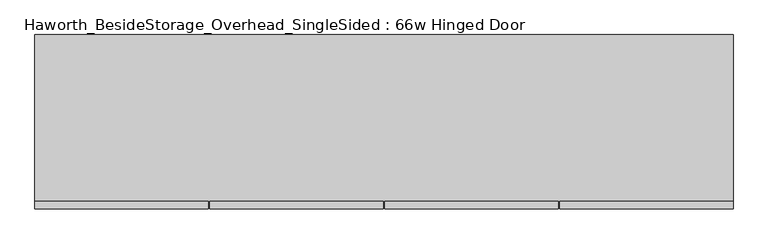
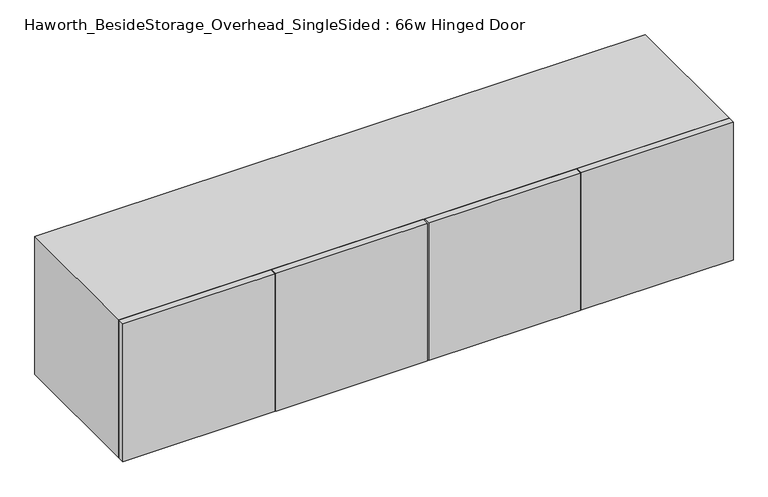
"""IFC4 building model written with IfcOpenShell, lengths in millimetres: furniture geometry, Haworth_BesideStorage_Overhead_SingleSided : 66w Hinged Door."""

from ifc_helpers import new_model, si_unit, frame, origin, place, context, project, spatial, polyline, outline, extrude, source, transform, mapped, element, save


def haworth_besidestorage_overhead_singlesided_66w_hinged_door_838ad97d(model_context):
    return source(origin(), model_context, "Body", "SweptSolid", [
        extrude(outline(polyline([(586.58125, -419.1), (586.58125, -400.05), (1003.3, -400.05), (1003.3, -419.1), (586.58125, -419.1)])), frame((0.0, 0.0, 762.0), z_axis=(0.0, 0.0, 1.0), x_axis=(1.0, 0.0, 0.0)), (0.0, 0.0, 1.0), 400.05),
        extrude(outline(polyline([(583.40625, -419.1), (166.6875, -419.1), (166.6875, -400.05), (583.40625, -400.05), (583.40625, -419.1)])), frame((0.0, 0.0, 762.0), z_axis=(0.0, 0.0, 1.0), x_axis=(1.0, 0.0, 0.0)), (0.0, 0.0, 1.0), 400.05),
        extrude(outline(polyline([(-253.20625, -419.1), (-253.20625, -400.05), (163.5125, -400.05), (163.5125, -419.1), (-253.20625, -419.1)])), frame((0.0, 0.0, 762.0), z_axis=(0.0, 0.0, 1.0), x_axis=(1.0, 0.0, 0.0)), (0.0, 0.0, 1.0), 400.05),
        extrude(outline(polyline([(-256.38125, -419.1), (-673.1, -419.1), (-673.1, -400.05), (-256.38125, -400.05), (-256.38125, -419.1)])), frame((0.0, 0.0, 762.0), z_axis=(0.0, 0.0, 1.0), x_axis=(1.0, 0.0, 0.0)), (0.0, 0.0, 1.0), 400.05),
        extrude(outline(polyline([(174.625, -400.05), (155.575, -400.05), (155.575, -19.05), (174.625, -19.05), (174.625, -400.05)])), frame((0.0, 0.0, 781.05), z_axis=(0.0, 0.0, 1.0), x_axis=(1.0, 0.0, 0.0)), (0.0, 0.0, 1.0), 361.95),
        extrude(outline(polyline([(984.25, -19.05), (-654.05, -19.05), (-654.05, 0.0), (984.25, 0.0), (984.25, -19.05)])), frame((0.0, 0.0, 781.05), z_axis=(0.0, 0.0, 1.0), x_axis=(1.0, 0.0, 0.0)), (0.0, 0.0, 1.0), 361.95),
        extrude(outline(polyline([(762.0, 1003.3), (1162.05, 1003.3), (1162.05, -673.1), (762.0, -673.1), (762.0, 1003.3)]), holes=[polyline([(1143.0, 984.25), (781.05, 984.25), (781.05, -654.05), (1143.0, -654.05), (1143.0, 984.25)])]), frame((0.0, -400.05, 0.0), z_axis=(0.0, 1.0, 0.0), x_axis=(0.0, 0.0, 1.0)), (0.0, 0.0, 1.0), 400.05),
    ])


if __name__ == "__main__":
    model = new_model("IFC4")
    model_context = context("Model", 3, world=origin())
    ifc_project = project(units=[si_unit("LENGTHUNIT", "METRE", prefix="MILLI")], contexts=[model_context])
    site = spatial("IfcSite", under=ifc_project)
    building = spatial("IfcBuilding", under=site)
    placement = place(None, origin())
    haworth_besidestorage_overhead_singlesided_66w_hinged_door_shape = haworth_besidestorage_overhead_singlesided_66w_hinged_door_838ad97d(model_context)
    element("IfcFurniture", 1, ObjectType="Haworth_BesideStorage_Overhead_SingleSided : 66w Hinged Door", at=placement, inside=building, context=model_context, shape_type="MappedRepresentation", body=[
        mapped(haworth_besidestorage_overhead_singlesided_66w_hinged_door_shape, transform((0.0, 0.0, 0.0), x_axis=(1.0, 0.0, 0.0), y_axis=(0.0, 1.0, 0.0), z_axis=(0.0, 0.0, 1.0))),
    ])
    save(model, "model.ifc")
